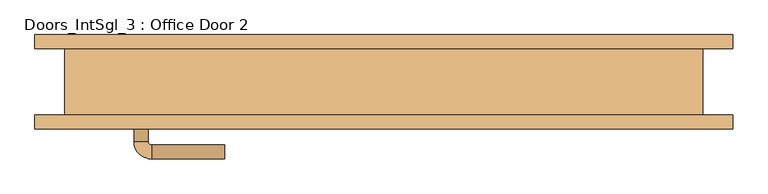
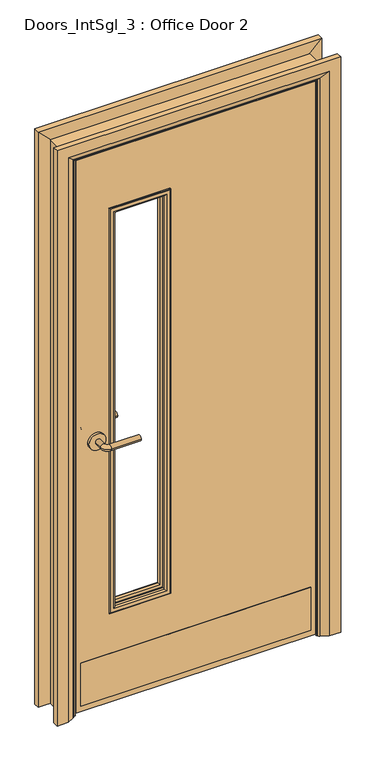
"""IFC4 building model written with IfcOpenShell, lengths in millimetres: door geometry, Doors_IntSgl_3 : Office Door 2."""

import ifcopenshell
import ifcopenshell.guid

model = None  # the IFC model being written
_history = None  # IfcOwnerHistory: only IFC2X3 demands one
_inside = {}  # id of a spatial element -> (the spatial element, [elements in it])
_under = {}  # id of a project, library or spatial element -> (it, [spatial elements below it])
_declared = {}  # id of a project -> (the project, [libraries it declares])
_typed = {}  # id of a type object -> (the type object, [elements of that type])
_made_of = {}  # id of a material, layer set ... -> (it, [elements and type objects made of it])


def new_model(schema):
    """Start an empty IFC model of exactly this schema.

    Asked for "IFC4X3", IfcOpenShell would pick the latest addendum, in which some entities
    have other attributes; the version numbers below select the first issue.
    IFC2X3 requires an IfcOwnerHistory on every rooted entity: one is made here for all.
    """
    global model, _history
    if schema == "IFC4X3":
        model = ifcopenshell.file(schema_version=(4, 3, 0, 0))
    else:
        model = ifcopenshell.file(schema=schema)
    _inside.clear()
    _under.clear()
    _declared.clear()
    _typed.clear()
    _made_of.clear()
    _history = None
    if model.schema == "IFC2X3":
        org = make("IfcOrganization", Name="unknown")
        user = make(
            "IfcPersonAndOrganization",
            ThePerson=make("IfcPerson", FamilyName="unknown"),
            TheOrganization=org,
        )
        app = make(
            "IfcApplication",
            ApplicationDeveloper=org,
            Version="unknown",
            ApplicationFullName="unknown",
            ApplicationIdentifier="unknown",
        )
        _history = make(
            "IfcOwnerHistory",
            OwningUser=user,
            OwningApplication=app,
            ChangeAction="ADDED",
            CreationDate=0,
        )
    return model


def make(cls, **values):
    """One entity of the class cls with the attributes given. An attribute that is None is left unset."""
    return model.create_entity(
        cls, **{name: value for name, value in values.items() if value is not None}
    )


def rooted(cls, **values):
    """An entity with a GlobalId (a new one), such as an element, a storey or a relation."""
    return make(cls, GlobalId=ifcopenshell.guid.new(), OwnerHistory=_history, **values)


def si_unit(unit_type, name, prefix=None):
    """IfcSIUnit, for example si_unit("LENGTHUNIT", "METRE", prefix="MILLI")."""
    return make("IfcSIUnit", UnitType=unit_type, Prefix=prefix, Name=name)


def assignment(units):
    """IfcUnitAssignment: the units of a project."""
    return None if units is None else make("IfcUnitAssignment", Units=units)


def point(xyz):
    """IfcCartesianPoint."""
    return None if xyz is None else make("IfcCartesianPoint", Coordinates=xyz)


def direction(xyz):
    """IfcDirection."""
    return None if xyz is None else make("IfcDirection", DirectionRatios=xyz)


def frame(location, z_axis=None, x_axis=None):
    """IfcAxis2Placement3D, a coordinate frame: its origin and axes. An axis left out is left unset."""
    return make(
        "IfcAxis2Placement3D",
        Location=point(location),
        Axis=direction(z_axis),
        RefDirection=direction(x_axis),
    )


def frame_2d(location, x_axis=None):
    """IfcAxis2Placement2D, a coordinate frame in the plane: its origin and x axis."""
    return make(
        "IfcAxis2Placement2D", Location=point(location), RefDirection=direction(x_axis)
    )


def origin():
    """The frame at (0, 0, 0) with its axes left unset."""
    return frame((0.0, 0.0, 0.0))


def place(relative_to, where):
    """IfcLocalPlacement: puts the frame where relative to a parent placement (None: the world)."""
    return make(
        "IfcLocalPlacement", PlacementRelTo=relative_to, RelativePlacement=where
    )


def context(
    kind, dimensions, precision=None, world=None, true_north=None, identifier=None
):
    """IfcGeometricRepresentationContext, for example the 3D "Model" context."""
    return make(
        "IfcGeometricRepresentationContext",
        ContextIdentifier=identifier,
        ContextType=kind,
        CoordinateSpaceDimension=dimensions,
        Precision=precision,
        WorldCoordinateSystem=world,
        TrueNorth=true_north,
    )


def project(units=None, contexts=None):
    """IfcProject with its units and contexts."""
    return rooted(
        "IfcProject",
        Name="project",
        RepresentationContexts=contexts,
        UnitsInContext=assignment(units),
    )


def spatial(cls, under=None, at=None, **own):
    """A site, building, storey or space (cls), placed at a placement, below another one or the project."""
    s = rooted(cls, ObjectPlacement=at, **own)
    if under is not None:
        _under.setdefault(under.id(), (under, []))[1].append(s)
    return s


def polyline(points):
    """IfcPolyline through the points."""
    return make("IfcPolyline", Points=[point(p) for p in points])


def circle_curve(where, radius):
    """IfcCircle in the frame where."""
    return make("IfcCircle", Position=where, Radius=radius)


def ellipse_curve(where, semi_axis1, semi_axis2):
    """IfcEllipse in the frame where."""
    return make(
        "IfcEllipse", Position=where, SemiAxis1=semi_axis1, SemiAxis2=semi_axis2
    )


def trimmed(basis, trim1, trim2, sense, master):
    """IfcTrimmedCurve: the piece of a basis curve between two trims."""
    return make(
        "IfcTrimmedCurve",
        BasisCurve=basis,
        Trim1=trim1,
        Trim2=trim2,
        SenseAgreement=sense,
        MasterRepresentation=master,
    )


def segment(curve, same_sense, transition):
    """IfcCompositeCurveSegment."""
    return make(
        "IfcCompositeCurveSegment",
        Transition=transition,
        SameSense=same_sense,
        ParentCurve=curve,
    )


def composite_curve(segments, self_intersect=None):
    """IfcCompositeCurve: segments joined end to end."""
    return make("IfcCompositeCurve", Segments=segments, SelfIntersect=self_intersect)


def outline(outer, holes=None, kind="AREA"):
    """IfcArbitraryClosedProfileDef: a profile drawn as a closed curve; with holes, ...WithVoids."""
    if holes is None:
        return make("IfcArbitraryClosedProfileDef", ProfileType=kind, OuterCurve=outer)
    return make(
        "IfcArbitraryProfileDefWithVoids",
        ProfileType=kind,
        OuterCurve=outer,
        InnerCurves=holes,
    )


def extrude(swept, where, along, depth):
    """IfcExtrudedAreaSolid: the profile swept, set in the frame where, extruded along a direction by depth."""
    return make(
        "IfcExtrudedAreaSolid",
        SweptArea=swept,
        Position=where,
        ExtrudedDirection=direction(along),
        Depth=depth,
    )


def faces_of(points, faces, orient=None, outer=None):
    """IfcFace entities. A face is a list of loops; a loop is a list of indices into points, from 0.

    orient and outer hold one flag for each loop. By default every Orientation is true, the
    first loop of a face is its IfcFaceOuterBound and the others are IfcFaceBound.
    """
    made = []
    for i, loops in enumerate(faces):
        bounds = []
        for j, loop in enumerate(loops):
            is_outer = j == 0 if outer is None else outer[i][j]
            bounds.append(
                make(
                    "IfcFaceOuterBound" if is_outer else "IfcFaceBound",
                    Bound=make("IfcPolyLoop", Polygon=[points[k] for k in loop]),
                    Orientation=True if orient is None else orient[i][j],
                )
            )
        made.append(make("IfcFace", Bounds=bounds))
    return made


def faceted_brep(points, faces, orient=None, outer=None, voids=None):
    """IfcFacetedBrep: a solid bounded by flat faces; with voids (closed shells), ...WithVoids."""
    shared = [point(p) for p in points]
    hull = make("IfcClosedShell", CfsFaces=faces_of(shared, faces, orient, outer))
    if voids is None:
        return make("IfcFacetedBrep", Outer=hull)
    return make(
        "IfcFacetedBrepWithVoids",
        Outer=hull,
        Voids=[
            make(cls, CfsFaces=faces_of(shared, fs, o, b)) for cls, fs, o, b in voids
        ],
    )


def shape(context_of_items, identifier, shape_type, items):
    """IfcShapeRepresentation: the items that make up one representation, for example the "Body"."""
    return make(
        "IfcShapeRepresentation",
        ContextOfItems=context_of_items,
        RepresentationIdentifier=identifier,
        RepresentationType=shape_type,
        Items=items,
    )


def source(mapping_origin, context_of_items, identifier, shape_type, items):
    """IfcRepresentationMap: a shape defined once, which mapped items show again and again."""
    return make(
        "IfcRepresentationMap",
        MappingOrigin=mapping_origin,
        MappedRepresentation=shape(context_of_items, identifier, shape_type, items),
    )


def transform(
    local_origin,
    x_axis=None,
    y_axis=None,
    z_axis=None,
    scale=None,
    scale2=None,
    scale3=None,
    uniform=True,
):
    """IfcCartesianTransformationOperator3D, or its non-uniform kind. x_axis, y_axis, z_axis: its Axis1, 2, 3."""
    if uniform:
        return make(
            "IfcCartesianTransformationOperator3D",
            Axis1=direction(x_axis),
            Axis2=direction(y_axis),
            LocalOrigin=point(local_origin),
            Scale=scale,
            Axis3=direction(z_axis),
        )
    return make(
        "IfcCartesianTransformationOperator3DnonUniform",
        Axis1=direction(x_axis),
        Axis2=direction(y_axis),
        LocalOrigin=point(local_origin),
        Scale=scale,
        Axis3=direction(z_axis),
        Scale2=scale2,
        Scale3=scale3,
    )


def mapped(mapping_source, mapping_target):
    """IfcMappedItem: shows the shape of a source again, moved by a transform."""
    return make(
        "IfcMappedItem", MappingSource=mapping_source, MappingTarget=mapping_target
    )


def made_of(thing, what):
    """Note that an element or type object is made of a material, layer set ...; save() writes the relation."""
    if what is not None:
        _made_of.setdefault(what.id(), (what, []))[1].append(thing)
    return thing


def element(
    cls,
    number,
    at=None,
    inside=None,
    cuts=None,
    type_object=None,
    material=None,
    context=None,
    identifier="Body",
    shape_type=None,
    held_by="IfcProductDefinitionShape",
    body=None,
    shapes=None,
    **own,
):
    """One element of the class cls, such as IfcWall. Its Tag is "e" and its number.

    at: its placement. inside: the storey or other place that contains it. cuts: it is an
    opening in that element (IfcRelVoidsElement). A single representation is given by context,
    identifier, shape_type and body (its items); several are given by shapes. held_by: the class
    of the entity that holds the representations. save() writes the other relations.
    """
    e = rooted(cls, Tag="e%d" % number, ObjectPlacement=at, **own)
    if body is not None:
        shapes = [shape(context, identifier, shape_type, body)]
    if shapes is not None:
        e.Representation = make(held_by, Representations=shapes)
    if inside is not None:
        _inside.setdefault(inside.id(), (inside, []))[1].append(e)
    if cuts is not None:
        rooted(
            "IfcRelVoidsElement", RelatingBuildingElement=cuts, RelatedOpeningElement=e
        )
    if type_object is not None:
        _typed.setdefault(type_object.id(), (type_object, []))[1].append(e)
    return made_of(e, material)


def aggregate(whole, parts):
    """IfcRelAggregates: a whole, such as a stair, and the parts it consists of."""
    return rooted("IfcRelAggregates", RelatingObject=whole, RelatedObjects=parts)


def save(model, path):
    """Write the relations noted so far, then the file.

    IfcRelAggregates (storeys below a building ...), IfcRelContainedInSpatialStructure (elements
    in a storey), IfcRelDefinesByType, IfcRelAssociatesMaterial and IfcRelDeclares: one each for
    every whole, place, type object, material and project.
    """
    for whole, parts in _under.values():
        aggregate(whole, parts)
    for where, things in _inside.values():
        rooted(
            "IfcRelContainedInSpatialStructure",
            RelatedElements=things,
            RelatingStructure=where,
        )
    for kind, things in _typed.values():
        rooted("IfcRelDefinesByType", RelatedObjects=things, RelatingType=kind)
    for what, things in _made_of.values():
        rooted("IfcRelAssociatesMaterial", RelatedObjects=things, RelatingMaterial=what)
    for by, libraries in _declared.values():
        rooted("IfcRelDeclares", RelatingContext=by, RelatedDefinitions=libraries)
    model.write(path)


def plane_surface(at):
    """IfcPlane: the flat surface through the origin of the frame at, square to its z axis."""
    return make("IfcPlane", Position=at)


def cylinder_surface(at, radius):
    """IfcCylindricalSurface: all points at the distance radius from the z axis of the frame at."""
    return make("IfcCylindricalSurface", Position=at, Radius=radius)


def revolved_surface(curve, axis_point, axis_direction):
    """IfcSurfaceOfRevolution: the curve turned about the line through axis_point along axis_direction."""
    return make(
        "IfcSurfaceOfRevolution",
        SweptCurve=make("IfcArbitraryOpenProfileDef", ProfileType="CURVE", Curve=curve),
        AxisPosition=make("IfcAxis1Placement", Location=point(axis_point), Axis=direction(axis_direction)),
    )


def advanced_brep(points, edges, surfaces, faces):
    """IfcAdvancedBrep: a solid bounded by faces that lie on surfaces and meet in shared edges.

    An edge is (start, end): straight between two places in points (the first is 0);
    or (start, end, curve); or (start, end, curve, False) where it runs against its curve.
    A face is (place in surfaces, loops), or (place, loops, False) where it looks against
    its surface's normal. A loop lists edges by number (the first is 1), with a minus sign
    where the edge is run from its end to its start. The first loop is the outer one.
    """
    corners = [point(p) for p in points]
    vertices = [make("IfcVertexPoint", VertexGeometry=c) for c in corners]
    made = []
    for start, end, *more in edges:
        made.append(
            make(
                "IfcEdgeCurve",
                EdgeStart=vertices[start],
                EdgeEnd=vertices[end],
                EdgeGeometry=more[0] if more else make("IfcPolyline", Points=[corners[start], corners[end]]),
                SameSense=more[1] if len(more) > 1 else True,
            )
        )
    hull = []
    for where, loops, *sense in faces:
        bounds = []
        for j, loop in enumerate(loops):
            ring = [make("IfcOrientedEdge", EdgeElement=made[abs(k) - 1], Orientation=k > 0) for k in loop]
            bounds.append(
                make(
                    "IfcFaceOuterBound" if j == 0 else "IfcFaceBound",
                    Bound=make("IfcEdgeLoop", EdgeList=ring),
                    Orientation=True,
                )
            )
        hull.append(make("IfcAdvancedFace", Bounds=bounds, FaceSurface=surfaces[where], SameSense=sense[0] if sense else True))
    return make("IfcAdvancedBrep", Outer=make("IfcClosedShell", CfsFaces=hull))


def doors_intsgl_3_office_door_2_92bcd59e(model_context):
    return source(origin(), model_context, "Body", "SolidModel", [
        advanced_brep(
        [(-358.0, -1.5, 1000.0), (-338.0, -1.5, 1000.0), (-358.0, 28.5, 1000.0), (-338.0, 28.5, 1000.0), (-333.0, 33.5, 1000.0), (-333.0, 53.5, 1000.0), (-228.0, 53.5, 1000.0), (-228.0, 33.5, 1000.0)],
        [
            (0, 1, circle_curve(frame((-348.0, -1.5, 1000.0), z_axis=(0.0, -1.0, 0.0), x_axis=(1.0, 0.0, 0.0)), 10.0)),
            (1, 0, circle_curve(frame((-348.0, -1.5, 1000.0), z_axis=(0.0, -1.0, 0.0), x_axis=(1.0, 0.0, 0.0)), 10.0)),
            (0, 2),
            (2, 3, circle_curve(frame((-348.0, 28.5, 1000.0), z_axis=(0.0, -1.0, 0.0), x_axis=(1.0, 0.0, 0.0)), 10.0)),
            (3, 1),
            (3, 2, circle_curve(frame((-348.0, 28.5, 1000.0), z_axis=(0.0, -1.0, 0.0), x_axis=(1.0, 0.0, 0.0)), 10.0)),
            (4, 3, circle_curve(frame((-333.0, 28.5, 1000.0), z_axis=(0.0, 0.0, 1.0), x_axis=(-1.0, 0.0, 0.0)), 5.0)),
            (2, 5, circle_curve(frame((-333.0, 28.5, 1000.0), z_axis=(0.0, 0.0, -1.0), x_axis=(-1.0, 0.0, 0.0)), 25.0)),
            (5, 4, circle_curve(frame((-333.0, 43.5, 1000.0), z_axis=(-1.0, 0.0, 0.0), x_axis=(0.0, -1.0, 0.0)), 10.0)),
            (4, 5, circle_curve(frame((-333.0, 43.5, 1000.0), z_axis=(-1.0, 0.0, 0.0), x_axis=(0.0, -1.0, 0.0)), 10.0)),
            (6, 7, circle_curve(frame((-228.0, 43.5, 1000.0), z_axis=(1.0, 0.0, 0.0), x_axis=(0.0, -1.0, 0.0)), 10.0)),
            (7, 6, circle_curve(frame((-228.0, 43.5, 1000.0), z_axis=(1.0, 0.0, 0.0), x_axis=(0.0, -1.0, 0.0)), 10.0)),
            (5, 6),
            (7, 4),
        ],
        [
            plane_surface(frame((-348.0, -1.5, 1000.0), z_axis=(0.0, -1.0, 0.0), x_axis=(0.0, 0.0, 1.0))),
            cylinder_surface(frame((-348.0, -1.5, 1000.0), z_axis=(0.0, -1.0, 0.0), x_axis=(1.0, 0.0, 0.0)), 10.0),
            revolved_surface(trimmed(ellipse_curve(frame((-348.0, 28.5, 1000.0), z_axis=(0.0, -1.0, 0.0), x_axis=(1.0, 0.0, 0.0)), 10.0, 10.0), [point((-358.0, 28.5, 1000.0))], [point((-338.0, 28.5, 1000.0))], True, "CARTESIAN"), (-333.0, 28.5, 1000.0), (0.0, 0.0, -1.0)),
            revolved_surface(trimmed(ellipse_curve(frame((-348.0, 28.5, 1000.0), z_axis=(0.0, -1.0, 0.0), x_axis=(1.0, 0.0, 0.0)), 10.0, 10.0), [point((-338.0, 28.5, 1000.0))], [point((-358.0, 28.5, 1000.0))], True, "CARTESIAN"), (-333.0, 28.5, 1000.0), (0.0, 0.0, -1.0)),
            plane_surface(frame((-228.0, 43.5, 1000.0), z_axis=(1.0, 0.0, 0.0), x_axis=(0.0, 0.0, 1.0))),
            cylinder_surface(frame((-333.0, 43.5, 1000.0), z_axis=(-1.0, 0.0, 0.0), x_axis=(0.0, -1.0, 0.0)), 10.0),
        ],
        [
            (0, [[1, 2]]),
            (1, [[-1, 3, 4, 5]]),
            (1, [[-2, -5, 6, -3]]),
            (2, [[7, -4, 8, 9]]),
            (3, [[-8, -6, -7, 10]]),
            (4, [[11, 12]]),
            (5, [[-9, 13, -12, 14]]),
            (5, [[-10, -14, -11, -13]]),
        ],
    ),
        extrude(outline(composite_curve([segment(trimmed(circle_curve(frame_2d((1000.0, -350.5)), 30.0), [point((1000.0, -380.5))], [point((1000.0, -320.5))], False, "CARTESIAN"), True, "CONTINUOUS"), segment(trimmed(circle_curve(frame_2d((1000.0, -350.5)), 30.0), [point((1000.0, -320.5))], [point((1000.0, -380.5))], False, "CARTESIAN"), True, "CONTINUOUS")], self_intersect=False)), frame((0.0, -9.5, 0.0), z_axis=(0.0, 1.0, 0.0), x_axis=(0.0, 0.0, 1.0)), (0.0, 0.0, 1.0), 8.0),
        advanced_brep(
        [(-358.0, -55.5, 1000.0), (-338.0, -55.5, 1000.0), (-338.0, -85.5, 1000.0), (-358.0, -85.5, 1000.0), (-333.0, -90.5, 1000.0), (-333.0, -110.5, 1000.0), (-228.0, -110.5, 1000.0), (-228.0, -90.5, 1000.0)],
        [
            (0, 1, circle_curve(frame((-348.0, -55.5, 1000.0), z_axis=(0.0, 1.0, 0.0), x_axis=(1.0, 0.0, 0.0)), 10.0)),
            (1, 0, circle_curve(frame((-348.0, -55.5, 1000.0), z_axis=(0.0, 1.0, 0.0), x_axis=(1.0, 0.0, 0.0)), 10.0)),
            (1, 2),
            (2, 3, circle_curve(frame((-348.0, -85.5, 1000.0), z_axis=(0.0, 1.0, 0.0), x_axis=(1.0, 0.0, 0.0)), 10.0)),
            (3, 0),
            (3, 2, circle_curve(frame((-348.0, -85.5, 1000.0), z_axis=(0.0, 1.0, 0.0), x_axis=(1.0, 0.0, 0.0)), 10.0)),
            (4, 5, circle_curve(frame((-333.0, -100.5, 1000.0), z_axis=(-1.0, 0.0, 0.0), x_axis=(0.0, 1.0, 0.0)), 10.0)),
            (5, 3, circle_curve(frame((-333.0, -85.5, 1000.0), z_axis=(0.0, 0.0, -1.0), x_axis=(-1.0, 0.0, 0.0)), 25.0)),
            (2, 4, circle_curve(frame((-333.0, -85.5, 1000.0), z_axis=(0.0, 0.0, 1.0), x_axis=(-1.0, 0.0, 0.0)), 5.0)),
            (5, 4, circle_curve(frame((-333.0, -100.5, 1000.0), z_axis=(-1.0, 0.0, 0.0), x_axis=(0.0, 1.0, 0.0)), 10.0)),
            (6, 7, circle_curve(frame((-228.0, -100.5, 1000.0), z_axis=(1.0, 0.0, 0.0), x_axis=(0.0, 1.0, 0.0)), 10.0)),
            (7, 6, circle_curve(frame((-228.0, -100.5, 1000.0), z_axis=(1.0, 0.0, 0.0), x_axis=(0.0, 1.0, 0.0)), 10.0)),
            (4, 7),
            (6, 5),
        ],
        [
            plane_surface(frame((-348.0, -55.5, 1000.0), z_axis=(0.0, 1.0, 0.0), x_axis=(0.0, 0.0, 1.0))),
            cylinder_surface(frame((-348.0, -55.5, 1000.0), z_axis=(0.0, 1.0, 0.0), x_axis=(1.0, 0.0, 0.0)), 10.0),
            revolved_surface(trimmed(ellipse_curve(frame((-348.0, -85.5, 1000.0), z_axis=(0.0, -1.0, 0.0), x_axis=(1.0, 0.0, 0.0)), 10.0, 10.0), [point((-358.0, -85.5, 1000.0))], [point((-338.0, -85.5, 1000.0))], True, "CARTESIAN"), (-333.0, -85.5, 1000.0), (0.0, 0.0, -1.0)),
            revolved_surface(trimmed(ellipse_curve(frame((-348.0, -85.5, 1000.0), z_axis=(0.0, -1.0, 0.0), x_axis=(1.0, 0.0, 0.0)), 10.0, 10.0), [point((-338.0, -85.5, 1000.0))], [point((-358.0, -85.5, 1000.0))], True, "CARTESIAN"), (-333.0, -85.5, 1000.0), (0.0, 0.0, -1.0)),
            plane_surface(frame((-228.0, -100.5, 1000.0), z_axis=(1.0, 0.0, 0.0), x_axis=(0.0, 0.0, 1.0))),
            cylinder_surface(frame((-333.0, -100.5, 1000.0), z_axis=(-1.0, 0.0, 0.0), x_axis=(0.0, 1.0, 0.0)), 10.0),
        ],
        [
            (0, [[1, 2]]),
            (1, [[3, 4, 5, -2]]),
            (1, [[-5, 6, -3, -1]]),
            (2, [[7, 8, -4, 9]]),
            (3, [[10, -9, -6, -8]]),
            (4, [[11, 12]]),
            (5, [[13, -11, 14, -7]]),
            (5, [[-14, -12, -13, -10]]),
        ],
    ),
        extrude(outline(composite_curve([segment(trimmed(circle_curve(frame_2d((1000.0, -350.5)), 30.0), [point((1000.0, -380.5))], [point((1000.0, -320.5))], False, "CARTESIAN"), True, "CONTINUOUS"), segment(trimmed(circle_curve(frame_2d((1000.0, -350.5)), 30.0), [point((1000.0, -320.5))], [point((1000.0, -380.5))], False, "CARTESIAN"), True, "CONTINUOUS")], self_intersect=False)), frame((0.0, -55.5, 0.0), z_axis=(0.0, 1.0, 0.0), x_axis=(0.0, 0.0, 1.0)), (0.0, 0.0, 1.0), 8.0),
        extrude(outline(polyline([(2068.0, -423.0), (8.0, -423.0), (8.0, 423.0), (2068.0, 423.0), (2068.0, -423.0)]), holes=[polyline([(1843.0, -98.0), (350.0, -98.0), (350.0, -298.0), (1843.0, -298.0), (1843.0, -98.0)])]), frame((0.0, -47.5, 0.0), z_axis=(0.0, 1.0, 0.0), x_axis=(0.0, 0.0, 1.0)), (0.0, 0.0, 1.0), 38.0),
        advanced_brep(
        [(500.0, -67.5, 0.0), (460.0, -67.5, 0.0), (434.0, -53.5, 0.0), (430.0, -47.5, 0.0), (500.0, -47.5, 0.0), (500.0, -47.5, 2145.0), (500.0, -67.5, 2145.0), (430.0, -47.5, 2075.0), (-430.0, -47.5, 2075.0), (-430.0, -47.5, 0.0), (-500.0, -47.5, 0.0), (-500.0, -47.5, 2145.0), (434.0, -53.5, 2079.0), (460.0, -67.5, 2105.0), (-500.0, -67.5, 2145.0), (-500.0, -67.5, 0.0), (-460.0, -67.5, 0.0), (-460.0, -67.5, 2105.0), (-434.0, -53.5, 0.0), (-434.0, -53.5, 2079.0)],
        [
            (0, 1),
            (1, 2),
            (2, 3, circle_curve(frame((438.0, -46.5, 0.0), z_axis=(0.0, 0.0, -1.0), x_axis=(1.0, 0.0, 0.0)), 8.0622577)),
            (3, 4),
            (4, 0),
            (4, 5),
            (5, 6),
            (6, 0),
            (3, 7),
            (7, 8),
            (8, 9),
            (9, 10),
            (10, 11),
            (11, 5),
            (2, 12),
            (12, 7, ellipse_curve(frame((438.0, -46.5, 2083.0), z_axis=(0.7071067811865475, 0.0, -0.7071067811865475), x_axis=(-0.7071067811865474, 0.0, -0.7071067811865476)), 11.4017543, 8.0622577)),
            (1, 13),
            (13, 12),
            (6, 14),
            (14, 15),
            (15, 16),
            (16, 17),
            (17, 13),
            (10, 15),
            (14, 11),
            (9, 18, circle_curve(frame((-438.0, -46.5, 0.0), z_axis=(0.0, 0.0, -1.0), x_axis=(-1.0, 0.0, 0.0)), 8.0622577)),
            (18, 16),
            (19, 18),
            (8, 19, ellipse_curve(frame((-438.0, -46.5, 2083.0), z_axis=(-0.7071067811865475, 0.0, -0.7071067811865475), x_axis=(-0.7071067811865474, 0.0, 0.7071067811865476)), 11.4017543, 8.0622577)),
            (19, 17),
            (12, 19),
        ],
        [
            plane_surface(frame((430.0, -47.5, 0.0), z_axis=(0.0, 0.0, -1.0), x_axis=(0.0, 1.0, 0.0))),
            plane_surface(frame((500.0, -67.5, 0.0), z_axis=(1.0, 0.0, 0.0), x_axis=(0.0, 0.0, 1.0))),
            plane_surface(frame((500.0, -47.5, 0.0), z_axis=(0.0, 1.0, 0.0), x_axis=(0.0, 0.0, 1.0))),
            cylinder_surface(frame((438.0, -46.5, 0.0), z_axis=(0.0, 0.0, -1.0), x_axis=(1.0, 0.0, 0.0)), 8.0622577),
            plane_surface(frame((434.0, -53.5, 0.0), z_axis=(-0.4740998230350126, -0.8804710999221779, 0.0), x_axis=(0.0, 0.0, 1.0))),
            plane_surface(frame((460.0, -67.5, 0.0), z_axis=(0.0, -1.0, 0.0), x_axis=(0.0, 0.0, 1.0))),
            plane_surface(frame((-500.0, -67.5, 2145.0), z_axis=(-1.0, 0.0, 0.0), x_axis=(0.0, 0.0, -1.0))),
            plane_surface(frame((-430.0, -47.5, 0.0), z_axis=(0.0, 0.0, -1.0), x_axis=(0.0, 1.0, 0.0))),
            cylinder_surface(frame((-438.0, -46.5, 2075.0), z_axis=(0.0, 0.0, 1.0), x_axis=(-1.0, 0.0, 0.0)), 8.0622577),
            plane_surface(frame((-434.0, -53.5, 2079.0), z_axis=(0.4740998230350183, -0.8804710999221749, 0.0), x_axis=(0.0, 0.0, -1.0))),
            plane_surface(frame((500.0, -67.5, 2145.0), z_axis=(0.0, 0.0, 1.0), x_axis=(-1.0, 0.0, 0.0))),
            cylinder_surface(frame((430.0, -46.5, 2083.0), z_axis=(1.0, 0.0, 0.0), x_axis=(0.0, 0.0, 1.0)), 8.0622577),
            plane_surface(frame((434.0, -53.5, 2079.0), z_axis=(0.0, -0.8804710999221763, -0.4740998230350154), x_axis=(-1.0, 0.0, 0.0))),
        ],
        [
            (0, [[1, 2, 3, 4, 5]]),
            (1, [[6, 7, 8, -5]]),
            (2, [[9, 10, 11, 12, 13, 14, -6, -4]]),
            (3, [[15, 16, -9, -3]]),
            (4, [[17, 18, -15, -2]]),
            (5, [[-8, 19, 20, 21, 22, 23, -17, -1]]),
            (6, [[-13, 24, -20, 25]]),
            (7, [[-24, -12, 26, 27, -21]]),
            (8, [[28, -26, -11, 29]]),
            (9, [[-22, -27, -28, 30]]),
            (10, [[-14, -25, -19, -7]]),
            (11, [[31, -29, -10, -16]]),
            (12, [[-23, -30, -31, -18]]),
        ],
    ),
        extrude(outline(polyline([(0.0, -406.0), (2051.0, -406.0), (2051.0, 406.0), (0.0, 406.0), (0.0, 425.0), (2070.0, 425.0), (2070.0, -425.0), (0.0, -425.0), (0.0, -406.0)])), frame((0.0, -7.5, 0.0), z_axis=(0.0, 1.0, 0.0), x_axis=(0.0, 0.0, 1.0)), (0.0, 0.0, 1.0), 32.0),
        advanced_brep(
        [(-500.0, 67.5, 0.0), (-460.0, 67.5, 0.0), (-434.0, 53.5, 0.0), (-430.0, 47.5, 0.0), (-500.0, 47.5, 0.0), (-500.0, 47.5, 2145.0), (-500.0, 67.5, 2145.0), (-430.0, 47.5, 2075.0), (-434.0, 53.5, 2079.0), (-460.0, 67.5, 2105.0), (500.0, 67.5, 0.0), (500.0, 47.5, 0.0), (430.0, 47.5, 0.0), (434.0, 53.5, 0.0), (460.0, 67.5, 0.0), (500.0, 67.5, 2145.0), (460.0, 67.5, 2105.0), (434.0, 53.5, 2079.0), (430.0, 47.5, 2075.0), (500.0, 47.5, 2145.0)],
        [
            (0, 1),
            (1, 2),
            (2, 3, circle_curve(frame((-438.0, 46.5, 0.0), z_axis=(0.0, 0.0, -1.0), x_axis=(-1.0, 0.0, 0.0)), 8.0622577)),
            (3, 4),
            (4, 0),
            (4, 5),
            (5, 6),
            (6, 0),
            (3, 7),
            (7, 5),
            (2, 8),
            (8, 7, ellipse_curve(frame((-438.0, 46.5, 2083.0), z_axis=(-0.7071067811865475, 0.0, -0.7071067811865475), x_axis=(0.7071067811865474, 0.0, -0.7071067811865476)), 11.4017543, 8.0622577)),
            (1, 9),
            (9, 8),
            (6, 9),
            (10, 11),
            (11, 12),
            (12, 13, circle_curve(frame((438.0, 46.5, 0.0), z_axis=(0.0, 0.0, -1.0), x_axis=(1.0, 0.0, 0.0)), 8.0622577)),
            (13, 14),
            (14, 10),
            (15, 10),
            (14, 16),
            (16, 15),
            (13, 17),
            (17, 16),
            (12, 18),
            (18, 17, ellipse_curve(frame((438.0, 46.5, 2083.0), z_axis=(0.7071067811865475, 0.0, -0.7071067811865475), x_axis=(0.7071067811865474, 0.0, 0.7071067811865476)), 11.4017543, 8.0622577)),
            (11, 19),
            (19, 18),
            (15, 19),
            (5, 19),
            (15, 6),
            (7, 18),
            (8, 17),
            (9, 16),
        ],
        [
            plane_surface(frame((-430.0, 120.3010989, 0.0), z_axis=(0.0, 0.0, -1.0), x_axis=(1.0, 0.0, 0.0))),
            plane_surface(frame((-500.0, 67.5, 0.0), z_axis=(-1.0, 0.0, 0.0), x_axis=(0.0, 0.0, 1.0))),
            plane_surface(frame((-500.0, 47.5, 0.0), z_axis=(0.0, -1.0, 0.0), x_axis=(0.0, 0.0, 1.0))),
            cylinder_surface(frame((-438.0, 46.5, 0.0), z_axis=(0.0, 0.0, -1.0), x_axis=(-1.0, 0.0, 0.0)), 8.0622577),
            plane_surface(frame((-434.0, 53.5, 0.0), z_axis=(0.4740998230350183, 0.8804710999221749, 0.0), x_axis=(0.0, 0.0, 1.0))),
            plane_surface(frame((-460.0, 67.5, 0.0), z_axis=(0.0, 1.0, 0.0), x_axis=(0.0, 0.0, 1.0))),
            plane_surface(frame((430.0, 120.3010989, 0.0), z_axis=(0.0, 0.0, -1.0), x_axis=(-1.0, 0.0, 0.0))),
            plane_surface(frame((460.0, 67.5, 2105.0), z_axis=(0.0, 1.0, 0.0), x_axis=(0.0, 0.0, -1.0))),
            plane_surface(frame((434.0, 53.5, 2079.0), z_axis=(-0.4740998230350183, 0.8804710999221749, 0.0), x_axis=(0.0, 0.0, -1.0))),
            cylinder_surface(frame((438.0, 46.5, 2075.0), z_axis=(0.0, 0.0, 1.0), x_axis=(1.0, 0.0, 0.0)), 8.0622577),
            plane_surface(frame((500.0, 47.5, 2145.0), z_axis=(0.0, -1.0, 0.0), x_axis=(0.0, 0.0, -1.0))),
            plane_surface(frame((500.0, 67.5, 2145.0), z_axis=(1.0, 0.0, 0.0), x_axis=(0.0, 0.0, -1.0))),
            plane_surface(frame((-500.0, 67.5, 2145.0), z_axis=(0.0, 0.0, 1.0), x_axis=(1.0, 0.0, 0.0))),
            plane_surface(frame((-500.0, 47.5, 2145.0), z_axis=(0.0, -1.0, 0.0), x_axis=(1.0, 0.0, 0.0))),
            cylinder_surface(frame((-430.0, 46.5, 2083.0), z_axis=(-1.0, 0.0, 0.0), x_axis=(0.0, 0.0, 1.0)), 8.0622577),
            plane_surface(frame((-434.0, 53.5, 2079.0), z_axis=(0.0, 0.8804710999221749, -0.4740998230350183), x_axis=(1.0, 0.0, 0.0))),
            plane_surface(frame((-460.0, 67.5, 2105.0), z_axis=(0.0, 1.0, 0.0), x_axis=(1.0, 0.0, 0.0))),
        ],
        [
            (0, [[1, 2, 3, 4, 5]]),
            (1, [[6, 7, 8, -5]]),
            (2, [[9, 10, -6, -4]]),
            (3, [[11, 12, -9, -3]]),
            (4, [[13, 14, -11, -2]]),
            (5, [[-8, 15, -13, -1]]),
            (6, [[16, 17, 18, 19, 20]]),
            (7, [[21, -20, 22, 23]]),
            (8, [[-22, -19, 24, 25]]),
            (9, [[-24, -18, 26, 27]]),
            (10, [[-26, -17, 28, 29]]),
            (11, [[-28, -16, -21, 30]]),
            (12, [[31, -30, 32, -7]]),
            (13, [[33, -29, -31, -10]]),
            (14, [[34, -27, -33, -12]]),
            (15, [[35, -25, -34, -14]]),
            (16, [[-32, -23, -35, -15]]),
        ],
    ),
        faceted_brep([(-425.0, -47.5, 0.0), (-457.0, -47.5, 0.0), (-457.0, 47.5, 0.0), (-425.0, 47.5, 0.0), (-425.0, 47.5, 2070.0), (-425.0, -47.5, 2070.0), (-457.0, 47.5, 2102.0), (-457.0, -47.5, 2102.0), (425.0, -47.5, 0.0), (425.0, 47.5, 0.0), (457.0, 47.5, 0.0), (457.0, -47.5, 0.0), (425.0, -47.5, 2070.0), (457.0, -47.5, 2102.0), (457.0, 47.5, 2102.0), (425.0, 47.5, 2070.0)], [[[0, 1, 2, 3]], [[3, 4, 5, 0]], [[2, 6, 4, 3]], [[1, 7, 6, 2]], [[0, 5, 7, 1]], [[8, 9, 10, 11]], [[12, 8, 11, 13]], [[13, 11, 10, 14]], [[14, 10, 9, 15]], [[15, 9, 8, 12]], [[4, 15, 12, 5]], [[6, 14, 15, 4]], [[7, 13, 14, 6]], [[5, 12, 13, 7]]]),
        advanced_brep(
        [(-98.0, -19.5, 1843.0), (-98.0, -19.5, 350.0), (-98.0, -9.5, 350.0), (-98.0, -9.5, 1843.0), (-110.0, -8.5, 1831.0), (-110.0, -8.5, 362.0), (-110.0, -19.5, 362.0), (-110.0, -19.5, 1831.0), (-105.0, -3.5, 1836.0), (-105.0, -3.5, 357.0), (-90.0, -5.5, 1851.0), (-90.0, -5.5, 342.0), (-92.0, -3.5, 344.0), (-92.0, -3.5, 1849.0), (-90.0, -9.5, 1851.0), (-90.0, -9.5, 342.0), (-298.0, -19.5, 350.0), (-298.0, -9.5, 350.0), (-286.0, -8.5, 362.0), (-286.0, -19.5, 362.0), (-291.0, -3.5, 357.0), (-306.0, -5.5, 342.0), (-304.0, -3.5, 344.0), (-306.0, -9.5, 342.0), (-298.0, -19.5, 1843.0), (-298.0, -9.5, 1843.0), (-286.0, -8.5, 1831.0), (-286.0, -19.5, 1831.0), (-291.0, -3.5, 1836.0), (-306.0, -5.5, 1851.0), (-304.0, -3.5, 1849.0), (-306.0, -9.5, 1851.0)],
        [
            (0, 1),
            (1, 2),
            (2, 3),
            (3, 0),
            (4, 5),
            (5, 6),
            (6, 7),
            (7, 4),
            (8, 9),
            (9, 5, ellipse_curve(frame((-105.0, -8.5, 357.0), z_axis=(0.7071067811865475, 0.0, 0.7071067811865475), x_axis=(-0.7071067811865474, 0.0, 0.7071067811865476)), 7.0710678, 5.0)),
            (4, 8, ellipse_curve(frame((-105.0, -8.5, 1836.0), z_axis=(0.7071067811865475, 0.0, -0.7071067811865475), x_axis=(0.7071067811865474, 0.0, 0.7071067811865476)), 7.0710678, 5.0)),
            (10, 11),
            (11, 12, ellipse_curve(frame((-92.0, -5.5, 344.0), z_axis=(0.7071067811865475, 0.0, 0.7071067811865475), x_axis=(-0.7071067811865474, 0.0, 0.7071067811865476)), 2.8284271, 2.0)),
            (12, 13),
            (13, 10, ellipse_curve(frame((-92.0, -5.5, 1849.0), z_axis=(0.7071067811865475, 0.0, -0.7071067811865475), x_axis=(0.7071067811865474, 0.0, 0.7071067811865476)), 2.8284271, 2.0)),
            (14, 15),
            (15, 11),
            (10, 14),
            (1, 16),
            (16, 17),
            (17, 2),
            (5, 18),
            (18, 19),
            (19, 6),
            (9, 20),
            (20, 18, ellipse_curve(frame((-291.0, -8.5, 357.0), z_axis=(0.7071067811865475, 0.0, -0.7071067811865475), x_axis=(0.7071067811865476, 0.0, 0.7071067811865474)), 7.0710678, 5.0)),
            (11, 21),
            (21, 22, ellipse_curve(frame((-304.0, -5.5, 344.0), z_axis=(0.7071067811865475, 0.0, -0.7071067811865475), x_axis=(0.7071067811865476, 0.0, 0.7071067811865474)), 2.8284271, 2.0)),
            (22, 12),
            (15, 23),
            (23, 21),
            (16, 24),
            (24, 25),
            (25, 17),
            (18, 26),
            (26, 27),
            (27, 19),
            (20, 28),
            (28, 26, ellipse_curve(frame((-291.0, -8.5, 1836.0), z_axis=(-0.7071067811865475, 0.0, -0.7071067811865475), x_axis=(0.7071067811865474, 0.0, -0.7071067811865476)), 7.0710678, 5.0)),
            (21, 29),
            (29, 30, ellipse_curve(frame((-304.0, -5.5, 1849.0), z_axis=(-0.7071067811865475, 0.0, -0.7071067811865475), x_axis=(0.7071067811865474, 0.0, -0.7071067811865476)), 2.8284271, 2.0)),
            (30, 22),
            (23, 31),
            (31, 29),
            (14, 31),
            (25, 3),
            (24, 0),
            (27, 7),
            (26, 4),
            (28, 8),
            (30, 13),
            (29, 10),
        ],
        [
            plane_surface(frame((-98.0, -9.5, 1843.0), z_axis=(1.0, 0.0, 0.0), x_axis=(0.0, 0.0, -1.0))),
            plane_surface(frame((-110.0, -19.5, 1831.0), z_axis=(-1.0, 0.0, 0.0), x_axis=(0.0, 0.0, -1.0))),
            cylinder_surface(frame((-105.0, -8.5, 1843.0), z_axis=(0.0, 0.0, 1.0), x_axis=(1.0, 0.0, 0.0)), 5.0),
            cylinder_surface(frame((-92.0, -5.5, 1843.0), z_axis=(0.0, 0.0, 1.0), x_axis=(1.0, 0.0, 0.0)), 2.0),
            plane_surface(frame((-90.0, -5.5, 1851.0), z_axis=(1.0, 0.0, 0.0), x_axis=(0.0, 0.0, -1.0))),
            plane_surface(frame((-98.0, -9.5, 350.0), z_axis=(0.0, 0.0, -1.0), x_axis=(-1.0, 0.0, 0.0))),
            plane_surface(frame((-110.0, -19.5, 362.0), z_axis=(0.0, 0.0, 1.0), x_axis=(-1.0, 0.0, 0.0))),
            cylinder_surface(frame((-98.0, -8.5, 357.0), z_axis=(1.0, 0.0, 0.0), x_axis=(0.0, 0.0, -1.0)), 5.0),
            cylinder_surface(frame((-98.0, -5.5, 344.0), z_axis=(1.0, 0.0, 0.0), x_axis=(0.0, 0.0, -1.0)), 2.0),
            plane_surface(frame((-90.0, -5.5, 342.0), z_axis=(0.0, 0.0, -1.0), x_axis=(-1.0, 0.0, 0.0))),
            plane_surface(frame((-298.0, -9.5, 350.0), z_axis=(-1.0, 0.0, 0.0), x_axis=(0.0, 0.0, 1.0))),
            plane_surface(frame((-286.0, -19.5, 362.0), z_axis=(1.0, 0.0, 0.0), x_axis=(0.0, 0.0, 1.0))),
            cylinder_surface(frame((-291.0, -8.5, 350.0), z_axis=(0.0, 0.0, -1.0), x_axis=(-1.0, 0.0, 0.0)), 5.0),
            cylinder_surface(frame((-304.0, -5.5, 350.0), z_axis=(0.0, 0.0, -1.0), x_axis=(-1.0, 0.0, 0.0)), 2.0),
            plane_surface(frame((-306.0, -5.5, 342.0), z_axis=(-1.0, 0.0, 0.0), x_axis=(0.0, 0.0, 1.0))),
            plane_surface(frame((-306.0, -9.5, 1851.0), z_axis=(0.0, -1.0, 0.0), x_axis=(1.0, 0.0, 0.0))),
            plane_surface(frame((-298.0, -9.5, 1843.0), z_axis=(0.0, 0.0, 1.0), x_axis=(1.0, 0.0, 0.0))),
            plane_surface(frame((-298.0, -19.5, 1843.0), z_axis=(0.0, -1.0, 0.0), x_axis=(1.0, 0.0, 0.0))),
            plane_surface(frame((-286.0, -19.5, 1831.0), z_axis=(0.0, 0.0, -1.0), x_axis=(1.0, 0.0, 0.0))),
            cylinder_surface(frame((-298.0, -8.5, 1836.0), z_axis=(-1.0, 0.0, 0.0), x_axis=(0.0, 0.0, 1.0)), 5.0),
            plane_surface(frame((-291.0, -3.5, 1836.0), z_axis=(0.0, 1.0, 0.0), x_axis=(1.0, 0.0, 0.0))),
            cylinder_surface(frame((-298.0, -5.5, 1849.0), z_axis=(-1.0, 0.0, 0.0), x_axis=(0.0, 0.0, 1.0)), 2.0),
            plane_surface(frame((-306.0, -5.5, 1851.0), z_axis=(0.0, 0.0, 1.0), x_axis=(1.0, 0.0, 0.0))),
        ],
        [
            (0, [[1, 2, 3, 4]]),
            (1, [[5, 6, 7, 8]]),
            (2, [[9, 10, -5, 11]]),
            (3, [[12, 13, 14, 15]]),
            (4, [[16, 17, -12, 18]]),
            (5, [[19, 20, 21, -2]]),
            (6, [[22, 23, 24, -6]]),
            (7, [[25, 26, -22, -10]]),
            (8, [[27, 28, 29, -13]]),
            (9, [[30, 31, -27, -17]]),
            (10, [[32, 33, 34, -20]]),
            (11, [[35, 36, 37, -23]]),
            (12, [[38, 39, -35, -26]]),
            (13, [[40, 41, 42, -28]]),
            (14, [[43, 44, -40, -31]]),
            (15, [[-16, 45, -43, -30], [-3, -21, -34, 46]]),
            (16, [[47, -4, -46, -33]]),
            (17, [[-1, -47, -32, -19], [-7, -24, -37, 48]]),
            (18, [[49, -8, -48, -36]]),
            (19, [[50, -11, -49, -39]]),
            (20, [[-14, -29, -42, 51], [-9, -50, -38, -25]]),
            (21, [[52, -15, -51, -41]]),
            (22, [[-45, -18, -52, -44]]),
        ],
    ),
        advanced_brep(
        [(-90.0, -51.5, 1851.0), (-90.0, -51.5, 342.0), (-90.0, -47.5, 342.0), (-90.0, -47.5, 1851.0), (-92.0, -53.5, 1849.0), (-92.0, -53.5, 344.0), (-110.0, -48.5, 1831.0), (-110.0, -48.5, 362.0), (-105.0, -53.5, 357.0), (-105.0, -53.5, 1836.0), (-110.0, -37.5, 1831.0), (-110.0, -37.5, 362.0), (-98.0, -47.5, 1843.0), (-98.0, -47.5, 350.0), (-98.0, -37.5, 350.0), (-98.0, -37.5, 1843.0), (-306.0, -51.5, 342.0), (-306.0, -47.5, 342.0), (-304.0, -53.5, 344.0), (-286.0, -48.5, 362.0), (-291.0, -53.5, 357.0), (-286.0, -37.5, 362.0), (-298.0, -47.5, 350.0), (-298.0, -37.5, 350.0), (-306.0, -51.5, 1851.0), (-306.0, -47.5, 1851.0), (-304.0, -53.5, 1849.0), (-286.0, -48.5, 1831.0), (-291.0, -53.5, 1836.0), (-286.0, -37.5, 1831.0), (-298.0, -47.5, 1843.0), (-298.0, -37.5, 1843.0)],
        [
            (0, 1),
            (1, 2),
            (2, 3),
            (3, 0),
            (4, 5),
            (5, 1, ellipse_curve(frame((-92.0, -51.5, 344.0), z_axis=(0.7071067811865475, 0.0, 0.7071067811865475), x_axis=(-0.7071067811865474, 0.0, 0.7071067811865476)), 2.8284271, 2.0)),
            (0, 4, ellipse_curve(frame((-92.0, -51.5, 1849.0), z_axis=(0.7071067811865475, 0.0, -0.7071067811865475), x_axis=(0.7071067811865474, 0.0, 0.7071067811865476)), 2.8284271, 2.0)),
            (6, 7),
            (7, 8, ellipse_curve(frame((-105.0, -48.5, 357.0), z_axis=(0.7071067811865475, 0.0, 0.7071067811865475), x_axis=(-0.7071067811865474, 0.0, 0.7071067811865476)), 7.0710678, 5.0)),
            (8, 9),
            (9, 6, ellipse_curve(frame((-105.0, -48.5, 1836.0), z_axis=(0.7071067811865475, 0.0, -0.7071067811865475), x_axis=(0.7071067811865474, 0.0, 0.7071067811865476)), 7.0710678, 5.0)),
            (10, 11),
            (11, 7),
            (6, 10),
            (12, 13),
            (13, 14),
            (14, 15),
            (15, 12),
            (1, 16),
            (16, 17),
            (17, 2),
            (5, 18),
            (18, 16, ellipse_curve(frame((-304.0, -51.5, 344.0), z_axis=(0.7071067811865475, 0.0, -0.7071067811865475), x_axis=(0.7071067811865476, 0.0, 0.7071067811865474)), 2.8284271, 2.0)),
            (7, 19),
            (19, 20, ellipse_curve(frame((-291.0, -48.5, 357.0), z_axis=(0.7071067811865475, 0.0, -0.7071067811865475), x_axis=(0.7071067811865476, 0.0, 0.7071067811865474)), 7.0710678, 5.0)),
            (20, 8),
            (11, 21),
            (21, 19),
            (13, 22),
            (22, 23),
            (23, 14),
            (16, 24),
            (24, 25),
            (25, 17),
            (18, 26),
            (26, 24, ellipse_curve(frame((-304.0, -51.5, 1849.0), z_axis=(-0.7071067811865475, 0.0, -0.7071067811865475), x_axis=(0.7071067811865474, 0.0, -0.7071067811865476)), 2.8284271, 2.0)),
            (19, 27),
            (27, 28, ellipse_curve(frame((-291.0, -48.5, 1836.0), z_axis=(-0.7071067811865475, 0.0, -0.7071067811865475), x_axis=(0.7071067811865474, 0.0, -0.7071067811865476)), 7.0710678, 5.0)),
            (28, 20),
            (21, 29),
            (29, 27),
            (22, 30),
            (30, 31),
            (31, 23),
            (24, 0),
            (3, 25),
            (26, 4),
            (28, 9),
            (27, 6),
            (29, 10),
            (31, 15),
            (30, 12),
        ],
        [
            plane_surface(frame((-90.0, -47.5, 1851.0), z_axis=(1.0, 0.0, 0.0), x_axis=(0.0, 0.0, -1.0))),
            cylinder_surface(frame((-92.0, -51.5, 1843.0), z_axis=(0.0, 0.0, 1.0), x_axis=(1.0, 0.0, 0.0)), 2.0),
            cylinder_surface(frame((-105.0, -48.5, 1843.0), z_axis=(0.0, 0.0, 1.0), x_axis=(1.0, 0.0, 0.0)), 5.0),
            plane_surface(frame((-110.0, -48.5, 1831.0), z_axis=(-1.0, 0.0, 0.0), x_axis=(0.0, 0.0, -1.0))),
            plane_surface(frame((-98.0, -37.5, 1843.0), z_axis=(1.0, 0.0, 0.0), x_axis=(0.0, 0.0, -1.0))),
            plane_surface(frame((-90.0, -47.5, 342.0), z_axis=(0.0, 0.0, -1.0), x_axis=(-1.0, 0.0, 0.0))),
            cylinder_surface(frame((-98.0, -51.5, 344.0), z_axis=(1.0, 0.0, 0.0), x_axis=(0.0, 0.0, -1.0)), 2.0),
            cylinder_surface(frame((-98.0, -48.5, 357.0), z_axis=(1.0, 0.0, 0.0), x_axis=(0.0, 0.0, -1.0)), 5.0),
            plane_surface(frame((-110.0, -48.5, 362.0), z_axis=(0.0, 0.0, 1.0), x_axis=(-1.0, 0.0, 0.0))),
            plane_surface(frame((-98.0, -37.5, 350.0), z_axis=(0.0, 0.0, -1.0), x_axis=(-1.0, 0.0, 0.0))),
            plane_surface(frame((-306.0, -47.5, 342.0), z_axis=(-1.0, 0.0, 0.0), x_axis=(0.0, 0.0, 1.0))),
            cylinder_surface(frame((-304.0, -51.5, 350.0), z_axis=(0.0, 0.0, -1.0), x_axis=(-1.0, 0.0, 0.0)), 2.0),
            cylinder_surface(frame((-291.0, -48.5, 350.0), z_axis=(0.0, 0.0, -1.0), x_axis=(-1.0, 0.0, 0.0)), 5.0),
            plane_surface(frame((-286.0, -48.5, 362.0), z_axis=(1.0, 0.0, 0.0), x_axis=(0.0, 0.0, 1.0))),
            plane_surface(frame((-298.0, -37.5, 350.0), z_axis=(-1.0, 0.0, 0.0), x_axis=(0.0, 0.0, 1.0))),
            plane_surface(frame((-306.0, -47.5, 1851.0), z_axis=(0.0, 0.0, 1.0), x_axis=(1.0, 0.0, 0.0))),
            cylinder_surface(frame((-298.0, -51.5, 1849.0), z_axis=(-1.0, 0.0, 0.0), x_axis=(0.0, 0.0, 1.0)), 2.0),
            plane_surface(frame((-304.0, -53.5, 1849.0), z_axis=(0.0, -1.0, 0.0), x_axis=(1.0, 0.0, 0.0))),
            cylinder_surface(frame((-298.0, -48.5, 1836.0), z_axis=(-1.0, 0.0, 0.0), x_axis=(0.0, 0.0, 1.0)), 5.0),
            plane_surface(frame((-286.0, -48.5, 1831.0), z_axis=(0.0, 0.0, -1.0), x_axis=(1.0, 0.0, 0.0))),
            plane_surface(frame((-286.0, -37.5, 1831.0), z_axis=(0.0, 1.0, 0.0), x_axis=(1.0, 0.0, 0.0))),
            plane_surface(frame((-298.0, -37.5, 1843.0), z_axis=(0.0, 0.0, 1.0), x_axis=(1.0, 0.0, 0.0))),
            plane_surface(frame((-298.0, -47.5, 1843.0), z_axis=(0.0, 1.0, 0.0), x_axis=(1.0, 0.0, 0.0))),
        ],
        [
            (0, [[1, 2, 3, 4]]),
            (1, [[5, 6, -1, 7]]),
            (2, [[8, 9, 10, 11]]),
            (3, [[12, 13, -8, 14]]),
            (4, [[15, 16, 17, 18]]),
            (5, [[19, 20, 21, -2]]),
            (6, [[22, 23, -19, -6]]),
            (7, [[24, 25, 26, -9]]),
            (8, [[27, 28, -24, -13]]),
            (9, [[29, 30, 31, -16]]),
            (10, [[32, 33, 34, -20]]),
            (11, [[35, 36, -32, -23]]),
            (12, [[37, 38, 39, -25]]),
            (13, [[40, 41, -37, -28]]),
            (14, [[42, 43, 44, -30]]),
            (15, [[45, -4, 46, -33]]),
            (16, [[47, -7, -45, -36]]),
            (17, [[-5, -47, -35, -22], [-10, -26, -39, 48]]),
            (18, [[49, -11, -48, -38]]),
            (19, [[50, -14, -49, -41]]),
            (20, [[-17, -31, -44, 51], [-12, -50, -40, -27]]),
            (21, [[52, -18, -51, -43]]),
            (22, [[-3, -21, -34, -46], [-15, -52, -42, -29]]),
        ],
    ),
        extrude(outline(polyline([(-405.3572816, -49.222509), (-405.3572816, -7.5), (406.0, -7.5), (406.0, -49.222509), (-405.3572816, -49.222509)])), frame((0.0, 0.0, 30.0), z_axis=(0.0, 0.0, 1.0), x_axis=(1.0, 0.0, 0.0)), (0.0, 0.0, 1.0), 160.0),
    ])


if __name__ == "__main__":
    model = new_model("IFC4")
    model_context = context("Model", 3, world=origin())
    ifc_project = project(units=[si_unit("LENGTHUNIT", "METRE", prefix="MILLI")], contexts=[model_context])
    site = spatial("IfcSite", under=ifc_project)
    building = spatial("IfcBuilding", under=site)
    placement = place(None, origin())
    doors_intsgl_3_office_door_2_shape = doors_intsgl_3_office_door_2_92bcd59e(model_context)
    element("IfcDoor", 1, ObjectType="Doors_IntSgl_3 : Office Door 2", at=placement, inside=building, context=model_context, shape_type="MappedRepresentation", body=[
        mapped(doors_intsgl_3_office_door_2_shape, transform((0.0, 0.0, 0.0), x_axis=(1.0, 0.0, 0.0), y_axis=(0.0, 1.0, 0.0), z_axis=(0.0, 0.0, 1.0))),
    ])
    save(model, "model.ifc")
